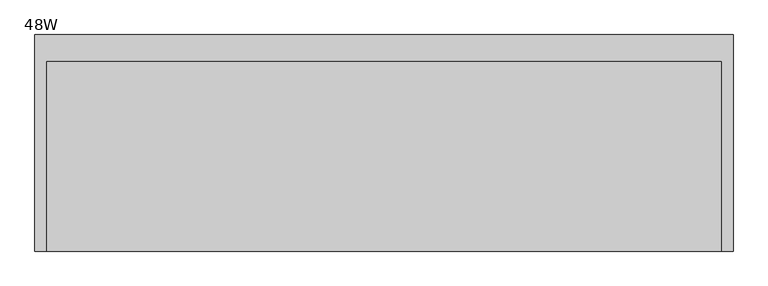
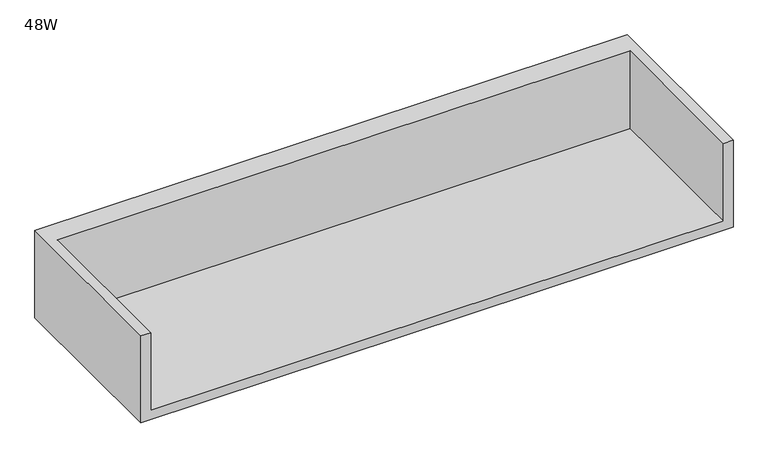
"""IFC4 building model written with IfcOpenShell, lengths in millimetres: furniture geometry, 48W."""

from ifc_helpers import new_model, si_unit, origin, place, context, project, spatial, faceted_brep, source, transform, mapped, element, save


def furniture_48w_feb4dc43(model_context):
    return source(origin(), model_context, "Body", "Brep", [
        faceted_brep([(20.1673737, -320.802, 1115.6696643), (1198.0166263, -320.802, 1115.6696643), (1198.0166263, 11.5824326, 1115.6696643), (20.1673737, 11.5824326, 1115.6696643), (0.0, -320.802, 1095.502), (0.0, 57.15, 1095.502), (1218.184, 57.15, 1095.502), (1218.184, -320.802, 1095.502), (1218.184, 57.15, 1284.9860736), (0.0, 57.15, 1284.9860736), (20.1673737, -320.802, 1284.9860736), (0.0, -320.802, 1284.9860736), (1218.184, -320.802, 1284.9860736), (1198.0166263, -320.802, 1284.9860736), (20.1673737, 11.5824326, 1284.9860736), (1198.0166263, 11.5824326, 1284.9860736)], [[[0, 1, 2, 3]], [[4, 5, 6, 7]], [[8, 6, 5, 9]], [[1, 0, 10, 11, 4, 7, 12, 13]], [[8, 9, 11, 10, 14, 15, 13, 12]], [[11, 9, 5, 4]], [[10, 0, 3, 14]], [[8, 12, 7, 6]], [[1, 13, 15, 2]], [[15, 14, 3, 2]]]),
    ])


if __name__ == "__main__":
    model = new_model("IFC4")
    model_context = context("Model", 3, world=origin())
    ifc_project = project(units=[si_unit("LENGTHUNIT", "METRE", prefix="MILLI")], contexts=[model_context])
    site = spatial("IfcSite", under=ifc_project)
    building = spatial("IfcBuilding", under=site)
    placement = place(None, origin())
    furniture_48w_shape = furniture_48w_feb4dc43(model_context)
    element("IfcFurniture", 1, ObjectType="48W", at=placement, inside=building, context=model_context, shape_type="MappedRepresentation", body=[
        mapped(furniture_48w_shape, transform((0.0, 0.0, 0.0), x_axis=(1.0, 0.0, 0.0), y_axis=(0.0, 1.0, 0.0), z_axis=(0.0, 0.0, 1.0))),
    ])
    save(model, "model.ifc")
